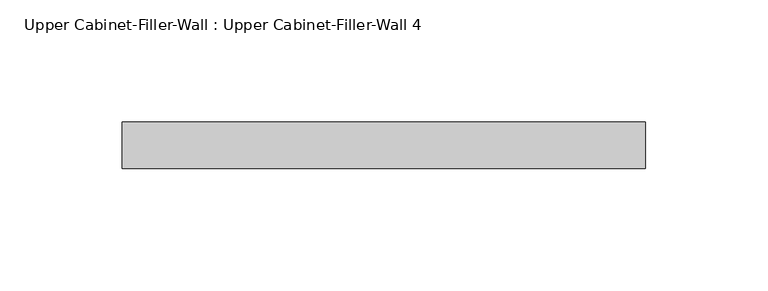
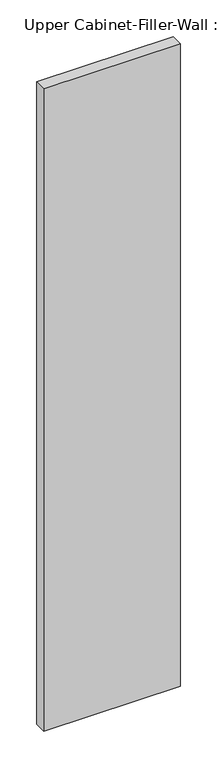
"""IFC4 building model written with IfcOpenShell, lengths in millimetres: furniture geometry, Upper Cabinet-Filler-Wall : Upper Cabinet-Filler-Wall 4."""

from ifc_helpers import new_model, si_unit, frame, origin, place, context, project, spatial, polyline, outline, extrude, source, transform, mapped, element, save


def upper_cabinet_filler_wall_upper_cabinet_filler_wall_4_01bbcfa1(model_context):
    return source(origin(), model_context, "Body", "SweptSolid", [
        extrude(outline(polyline([(-77.3850872, 347.6625), (-77.3850872, 366.7125), (136.9274128, 366.7125), (136.9274128, 347.6625), (-77.3850872, 347.6625)])), frame((0.0, 0.0, 1066.8), z_axis=(0.0, 0.0, 1.0), x_axis=(1.0, 0.0, 0.0)), (0.0, 0.0, 1.0), 1066.8),
    ])


if __name__ == "__main__":
    model = new_model("IFC4")
    model_context = context("Model", 3, world=origin())
    ifc_project = project(units=[si_unit("LENGTHUNIT", "METRE", prefix="MILLI")], contexts=[model_context])
    site = spatial("IfcSite", under=ifc_project)
    building = spatial("IfcBuilding", under=site)
    placement = place(None, origin())
    upper_cabinet_filler_wall_upper_cabinet_filler_wall_4_shape = upper_cabinet_filler_wall_upper_cabinet_filler_wall_4_01bbcfa1(model_context)
    element("IfcFurniture", 1, ObjectType="Upper Cabinet-Filler-Wall : Upper Cabinet-Filler-Wall 4", at=placement, inside=building, context=model_context, shape_type="MappedRepresentation", body=[
        mapped(upper_cabinet_filler_wall_upper_cabinet_filler_wall_4_shape, transform((0.0, 0.0, 0.0), x_axis=(1.0, 0.0, 0.0), y_axis=(0.0, 1.0, 0.0), z_axis=(0.0, 0.0, 1.0))),
    ])
    save(model, "model.ifc")
